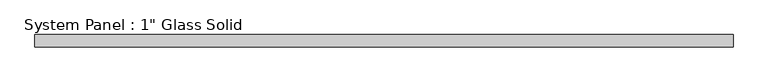
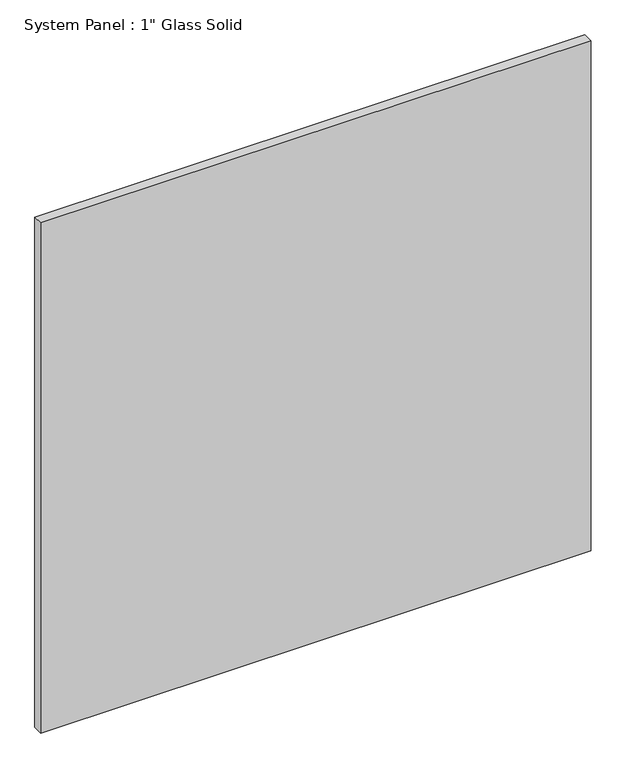
"""IFC4 building model written with IfcOpenShell, lengths in millimetres: plate geometry."""

import ifcopenshell
import ifcopenshell.guid

model = None  # the IFC model being written
_history = None  # IfcOwnerHistory: only IFC2X3 demands one
_inside = {}  # id of a spatial element -> (the spatial element, [elements in it])
_under = {}  # id of a project, library or spatial element -> (it, [spatial elements below it])
_declared = {}  # id of a project -> (the project, [libraries it declares])
_typed = {}  # id of a type object -> (the type object, [elements of that type])
_made_of = {}  # id of a material, layer set ... -> (it, [elements and type objects made of it])


def new_model(schema):
    """Start an empty IFC model of exactly this schema.

    Asked for "IFC4X3", IfcOpenShell would pick the latest addendum, in which some entities
    have other attributes; the version numbers below select the first issue.
    IFC2X3 requires an IfcOwnerHistory on every rooted entity: one is made here for all.
    """
    global model, _history
    if schema == "IFC4X3":
        model = ifcopenshell.file(schema_version=(4, 3, 0, 0))
    else:
        model = ifcopenshell.file(schema=schema)
    _inside.clear()
    _under.clear()
    _declared.clear()
    _typed.clear()
    _made_of.clear()
    _history = None
    if model.schema == "IFC2X3":
        org = make("IfcOrganization", Name="unknown")
        user = make(
            "IfcPersonAndOrganization",
            ThePerson=make("IfcPerson", FamilyName="unknown"),
            TheOrganization=org,
        )
        app = make(
            "IfcApplication",
            ApplicationDeveloper=org,
            Version="unknown",
            ApplicationFullName="unknown",
            ApplicationIdentifier="unknown",
        )
        _history = make(
            "IfcOwnerHistory",
            OwningUser=user,
            OwningApplication=app,
            ChangeAction="ADDED",
            CreationDate=0,
        )
    return model


def make(cls, **values):
    """One entity of the class cls with the attributes given. An attribute that is None is left unset."""
    return model.create_entity(
        cls, **{name: value for name, value in values.items() if value is not None}
    )


def rooted(cls, **values):
    """An entity with a GlobalId (a new one), such as an element, a storey or a relation."""
    return make(cls, GlobalId=ifcopenshell.guid.new(), OwnerHistory=_history, **values)


def si_unit(unit_type, name, prefix=None):
    """IfcSIUnit, for example si_unit("LENGTHUNIT", "METRE", prefix="MILLI")."""
    return make("IfcSIUnit", UnitType=unit_type, Prefix=prefix, Name=name)


def assignment(units):
    """IfcUnitAssignment: the units of a project."""
    return None if units is None else make("IfcUnitAssignment", Units=units)


def point(xyz):
    """IfcCartesianPoint."""
    return None if xyz is None else make("IfcCartesianPoint", Coordinates=xyz)


def direction(xyz):
    """IfcDirection."""
    return None if xyz is None else make("IfcDirection", DirectionRatios=xyz)


def frame(location, z_axis=None, x_axis=None):
    """IfcAxis2Placement3D, a coordinate frame: its origin and axes. An axis left out is left unset."""
    return make(
        "IfcAxis2Placement3D",
        Location=point(location),
        Axis=direction(z_axis),
        RefDirection=direction(x_axis),
    )


def origin():
    """The frame at (0, 0, 0) with its axes left unset."""
    return frame((0.0, 0.0, 0.0))


def origin_with_axes():
    """The frame at (0, 0, 0) with the z axis (0, 0, 1) and the x axis (1, 0, 0) written out."""
    return frame((0.0, 0.0, 0.0), z_axis=(0.0, 0.0, 1.0), x_axis=(1.0, 0.0, 0.0))


def place(relative_to, where):
    """IfcLocalPlacement: puts the frame where relative to a parent placement (None: the world)."""
    return make(
        "IfcLocalPlacement", PlacementRelTo=relative_to, RelativePlacement=where
    )


def context(
    kind, dimensions, precision=None, world=None, true_north=None, identifier=None
):
    """IfcGeometricRepresentationContext, for example the 3D "Model" context."""
    return make(
        "IfcGeometricRepresentationContext",
        ContextIdentifier=identifier,
        ContextType=kind,
        CoordinateSpaceDimension=dimensions,
        Precision=precision,
        WorldCoordinateSystem=world,
        TrueNorth=true_north,
    )


def project(units=None, contexts=None):
    """IfcProject with its units and contexts."""
    return rooted(
        "IfcProject",
        Name="project",
        RepresentationContexts=contexts,
        UnitsInContext=assignment(units),
    )


def spatial(cls, under=None, at=None, **own):
    """A site, building, storey or space (cls), placed at a placement, below another one or the project."""
    s = rooted(cls, ObjectPlacement=at, **own)
    if under is not None:
        _under.setdefault(under.id(), (under, []))[1].append(s)
    return s


def polyline(points):
    """IfcPolyline through the points."""
    return make("IfcPolyline", Points=[point(p) for p in points])


def outline(outer, holes=None, kind="AREA"):
    """IfcArbitraryClosedProfileDef: a profile drawn as a closed curve; with holes, ...WithVoids."""
    if holes is None:
        return make("IfcArbitraryClosedProfileDef", ProfileType=kind, OuterCurve=outer)
    return make(
        "IfcArbitraryProfileDefWithVoids",
        ProfileType=kind,
        OuterCurve=outer,
        InnerCurves=holes,
    )


def extrude(swept, where, along, depth):
    """IfcExtrudedAreaSolid: the profile swept, set in the frame where, extruded along a direction by depth."""
    return make(
        "IfcExtrudedAreaSolid",
        SweptArea=swept,
        Position=where,
        ExtrudedDirection=direction(along),
        Depth=depth,
    )


def shape(context_of_items, identifier, shape_type, items):
    """IfcShapeRepresentation: the items that make up one representation, for example the "Body"."""
    return make(
        "IfcShapeRepresentation",
        ContextOfItems=context_of_items,
        RepresentationIdentifier=identifier,
        RepresentationType=shape_type,
        Items=items,
    )


def source(mapping_origin, context_of_items, identifier, shape_type, items):
    """IfcRepresentationMap: a shape defined once, which mapped items show again and again."""
    return make(
        "IfcRepresentationMap",
        MappingOrigin=mapping_origin,
        MappedRepresentation=shape(context_of_items, identifier, shape_type, items),
    )


def transform(
    local_origin,
    x_axis=None,
    y_axis=None,
    z_axis=None,
    scale=None,
    scale2=None,
    scale3=None,
    uniform=True,
):
    """IfcCartesianTransformationOperator3D, or its non-uniform kind. x_axis, y_axis, z_axis: its Axis1, 2, 3."""
    if uniform:
        return make(
            "IfcCartesianTransformationOperator3D",
            Axis1=direction(x_axis),
            Axis2=direction(y_axis),
            LocalOrigin=point(local_origin),
            Scale=scale,
            Axis3=direction(z_axis),
        )
    return make(
        "IfcCartesianTransformationOperator3DnonUniform",
        Axis1=direction(x_axis),
        Axis2=direction(y_axis),
        LocalOrigin=point(local_origin),
        Scale=scale,
        Axis3=direction(z_axis),
        Scale2=scale2,
        Scale3=scale3,
    )


def mapped(mapping_source, mapping_target):
    """IfcMappedItem: shows the shape of a source again, moved by a transform."""
    return make(
        "IfcMappedItem", MappingSource=mapping_source, MappingTarget=mapping_target
    )


def made_of(thing, what):
    """Note that an element or type object is made of a material, layer set ...; save() writes the relation."""
    if what is not None:
        _made_of.setdefault(what.id(), (what, []))[1].append(thing)
    return thing


def element(
    cls,
    number,
    at=None,
    inside=None,
    cuts=None,
    type_object=None,
    material=None,
    context=None,
    identifier="Body",
    shape_type=None,
    held_by="IfcProductDefinitionShape",
    body=None,
    shapes=None,
    **own,
):
    """One element of the class cls, such as IfcWall. Its Tag is "e" and its number.

    at: its placement. inside: the storey or other place that contains it. cuts: it is an
    opening in that element (IfcRelVoidsElement). A single representation is given by context,
    identifier, shape_type and body (its items); several are given by shapes. held_by: the class
    of the entity that holds the representations. save() writes the other relations.
    """
    e = rooted(cls, Tag="e%d" % number, ObjectPlacement=at, **own)
    if body is not None:
        shapes = [shape(context, identifier, shape_type, body)]
    if shapes is not None:
        e.Representation = make(held_by, Representations=shapes)
    if inside is not None:
        _inside.setdefault(inside.id(), (inside, []))[1].append(e)
    if cuts is not None:
        rooted(
            "IfcRelVoidsElement", RelatingBuildingElement=cuts, RelatedOpeningElement=e
        )
    if type_object is not None:
        _typed.setdefault(type_object.id(), (type_object, []))[1].append(e)
    return made_of(e, material)


def aggregate(whole, parts):
    """IfcRelAggregates: a whole, such as a stair, and the parts it consists of."""
    return rooted("IfcRelAggregates", RelatingObject=whole, RelatedObjects=parts)


def save(model, path):
    """Write the relations noted so far, then the file.

    IfcRelAggregates (storeys below a building ...), IfcRelContainedInSpatialStructure (elements
    in a storey), IfcRelDefinesByType, IfcRelAssociatesMaterial and IfcRelDeclares: one each for
    every whole, place, type object, material and project.
    """
    for whole, parts in _under.values():
        aggregate(whole, parts)
    for where, things in _inside.values():
        rooted(
            "IfcRelContainedInSpatialStructure",
            RelatedElements=things,
            RelatingStructure=where,
        )
    for kind, things in _typed.values():
        rooted("IfcRelDefinesByType", RelatedObjects=things, RelatingType=kind)
    for what, things in _made_of.values():
        rooted("IfcRelAssociatesMaterial", RelatedObjects=things, RelatingMaterial=what)
    for by, libraries in _declared.values():
        rooted("IfcRelDeclares", RelatingContext=by, RelatedDefinitions=libraries)
    model.write(path)


def plate_fe7a22a1(model_context):
    return source(origin(), model_context, "Body", "SweptSolid", [
        extrude(outline(polyline([(706.4889199, -12.7), (-706.4889199, -12.7), (-706.4889199, 12.7), (706.4889199, 12.7), (706.4889199, -12.7)])), origin_with_axes(), (0.0, 0.0, 1.0), 1384.1911731),
    ])


if __name__ == "__main__":
    model = new_model("IFC4")
    model_context = context("Model", 3, world=origin())
    ifc_project = project(units=[si_unit("LENGTHUNIT", "METRE", prefix="MILLI")], contexts=[model_context])
    site = spatial("IfcSite", under=ifc_project)
    building = spatial("IfcBuilding", under=site)
    placement = place(None, origin())
    plate_shape = plate_fe7a22a1(model_context)
    element("IfcPlate", 1, ObjectType="System Panel : 1\" Glass Solid", at=placement, inside=building, context=model_context, shape_type="MappedRepresentation", body=[
        mapped(plate_shape, transform((0.0, 0.0, 0.0), x_axis=(1.0, 0.0, 0.0), y_axis=(0.0, 1.0, 0.0), z_axis=(0.0, 0.0, 1.0))),
    ])
    save(model, "model.ifc")
